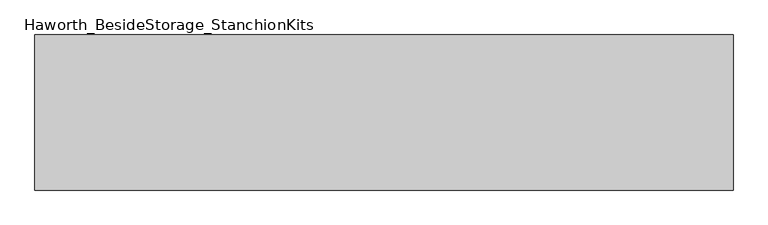
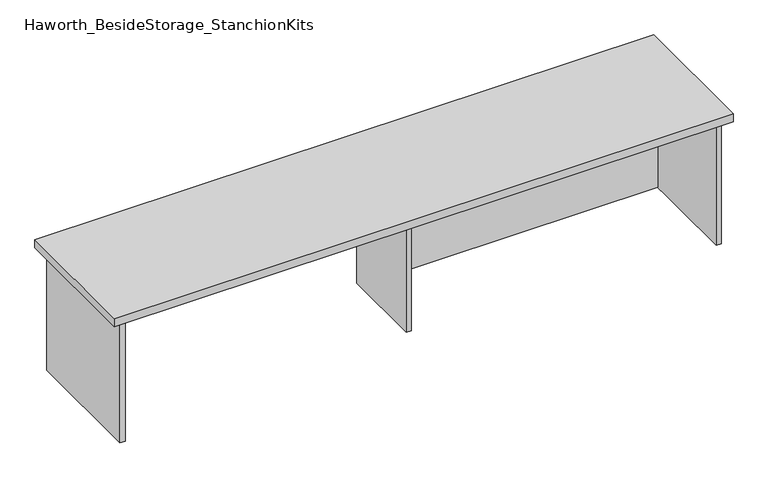
"""IFC4 building model written with IfcOpenShell, lengths in millimetres: furniture geometry, Haworth_BesideStorage_StanchionKits."""

import ifcopenshell
import ifcopenshell.guid

model = None  # the IFC model being written
_history = None  # IfcOwnerHistory: only IFC2X3 demands one
_inside = {}  # id of a spatial element -> (the spatial element, [elements in it])
_under = {}  # id of a project, library or spatial element -> (it, [spatial elements below it])
_declared = {}  # id of a project -> (the project, [libraries it declares])
_typed = {}  # id of a type object -> (the type object, [elements of that type])
_made_of = {}  # id of a material, layer set ... -> (it, [elements and type objects made of it])


def new_model(schema):
    """Start an empty IFC model of exactly this schema.

    Asked for "IFC4X3", IfcOpenShell would pick the latest addendum, in which some entities
    have other attributes; the version numbers below select the first issue.
    IFC2X3 requires an IfcOwnerHistory on every rooted entity: one is made here for all.
    """
    global model, _history
    if schema == "IFC4X3":
        model = ifcopenshell.file(schema_version=(4, 3, 0, 0))
    else:
        model = ifcopenshell.file(schema=schema)
    _inside.clear()
    _under.clear()
    _declared.clear()
    _typed.clear()
    _made_of.clear()
    _history = None
    if model.schema == "IFC2X3":
        org = make("IfcOrganization", Name="unknown")
        user = make(
            "IfcPersonAndOrganization",
            ThePerson=make("IfcPerson", FamilyName="unknown"),
            TheOrganization=org,
        )
        app = make(
            "IfcApplication",
            ApplicationDeveloper=org,
            Version="unknown",
            ApplicationFullName="unknown",
            ApplicationIdentifier="unknown",
        )
        _history = make(
            "IfcOwnerHistory",
            OwningUser=user,
            OwningApplication=app,
            ChangeAction="ADDED",
            CreationDate=0,
        )
    return model


def make(cls, **values):
    """One entity of the class cls with the attributes given. An attribute that is None is left unset."""
    return model.create_entity(
        cls, **{name: value for name, value in values.items() if value is not None}
    )


def rooted(cls, **values):
    """An entity with a GlobalId (a new one), such as an element, a storey or a relation."""
    return make(cls, GlobalId=ifcopenshell.guid.new(), OwnerHistory=_history, **values)


def si_unit(unit_type, name, prefix=None):
    """IfcSIUnit, for example si_unit("LENGTHUNIT", "METRE", prefix="MILLI")."""
    return make("IfcSIUnit", UnitType=unit_type, Prefix=prefix, Name=name)


def assignment(units):
    """IfcUnitAssignment: the units of a project."""
    return None if units is None else make("IfcUnitAssignment", Units=units)


def point(xyz):
    """IfcCartesianPoint."""
    return None if xyz is None else make("IfcCartesianPoint", Coordinates=xyz)


def direction(xyz):
    """IfcDirection."""
    return None if xyz is None else make("IfcDirection", DirectionRatios=xyz)


def frame(location, z_axis=None, x_axis=None):
    """IfcAxis2Placement3D, a coordinate frame: its origin and axes. An axis left out is left unset."""
    return make(
        "IfcAxis2Placement3D",
        Location=point(location),
        Axis=direction(z_axis),
        RefDirection=direction(x_axis),
    )


def origin():
    """The frame at (0, 0, 0) with its axes left unset."""
    return frame((0.0, 0.0, 0.0))


def place(relative_to, where):
    """IfcLocalPlacement: puts the frame where relative to a parent placement (None: the world)."""
    return make(
        "IfcLocalPlacement", PlacementRelTo=relative_to, RelativePlacement=where
    )


def context(
    kind, dimensions, precision=None, world=None, true_north=None, identifier=None
):
    """IfcGeometricRepresentationContext, for example the 3D "Model" context."""
    return make(
        "IfcGeometricRepresentationContext",
        ContextIdentifier=identifier,
        ContextType=kind,
        CoordinateSpaceDimension=dimensions,
        Precision=precision,
        WorldCoordinateSystem=world,
        TrueNorth=true_north,
    )


def project(units=None, contexts=None):
    """IfcProject with its units and contexts."""
    return rooted(
        "IfcProject",
        Name="project",
        RepresentationContexts=contexts,
        UnitsInContext=assignment(units),
    )


def spatial(cls, under=None, at=None, **own):
    """A site, building, storey or space (cls), placed at a placement, below another one or the project."""
    s = rooted(cls, ObjectPlacement=at, **own)
    if under is not None:
        _under.setdefault(under.id(), (under, []))[1].append(s)
    return s


def polyline(points):
    """IfcPolyline through the points."""
    return make("IfcPolyline", Points=[point(p) for p in points])


def outline(outer, holes=None, kind="AREA"):
    """IfcArbitraryClosedProfileDef: a profile drawn as a closed curve; with holes, ...WithVoids."""
    if holes is None:
        return make("IfcArbitraryClosedProfileDef", ProfileType=kind, OuterCurve=outer)
    return make(
        "IfcArbitraryProfileDefWithVoids",
        ProfileType=kind,
        OuterCurve=outer,
        InnerCurves=holes,
    )


def extrude(swept, where, along, depth):
    """IfcExtrudedAreaSolid: the profile swept, set in the frame where, extruded along a direction by depth."""
    return make(
        "IfcExtrudedAreaSolid",
        SweptArea=swept,
        Position=where,
        ExtrudedDirection=direction(along),
        Depth=depth,
    )


def shape(context_of_items, identifier, shape_type, items):
    """IfcShapeRepresentation: the items that make up one representation, for example the "Body"."""
    return make(
        "IfcShapeRepresentation",
        ContextOfItems=context_of_items,
        RepresentationIdentifier=identifier,
        RepresentationType=shape_type,
        Items=items,
    )


def source(mapping_origin, context_of_items, identifier, shape_type, items):
    """IfcRepresentationMap: a shape defined once, which mapped items show again and again."""
    return make(
        "IfcRepresentationMap",
        MappingOrigin=mapping_origin,
        MappedRepresentation=shape(context_of_items, identifier, shape_type, items),
    )


def transform(
    local_origin,
    x_axis=None,
    y_axis=None,
    z_axis=None,
    scale=None,
    scale2=None,
    scale3=None,
    uniform=True,
):
    """IfcCartesianTransformationOperator3D, or its non-uniform kind. x_axis, y_axis, z_axis: its Axis1, 2, 3."""
    if uniform:
        return make(
            "IfcCartesianTransformationOperator3D",
            Axis1=direction(x_axis),
            Axis2=direction(y_axis),
            LocalOrigin=point(local_origin),
            Scale=scale,
            Axis3=direction(z_axis),
        )
    return make(
        "IfcCartesianTransformationOperator3DnonUniform",
        Axis1=direction(x_axis),
        Axis2=direction(y_axis),
        LocalOrigin=point(local_origin),
        Scale=scale,
        Axis3=direction(z_axis),
        Scale2=scale2,
        Scale3=scale3,
    )


def mapped(mapping_source, mapping_target):
    """IfcMappedItem: shows the shape of a source again, moved by a transform."""
    return make(
        "IfcMappedItem", MappingSource=mapping_source, MappingTarget=mapping_target
    )


def made_of(thing, what):
    """Note that an element or type object is made of a material, layer set ...; save() writes the relation."""
    if what is not None:
        _made_of.setdefault(what.id(), (what, []))[1].append(thing)
    return thing


def element(
    cls,
    number,
    at=None,
    inside=None,
    cuts=None,
    type_object=None,
    material=None,
    context=None,
    identifier="Body",
    shape_type=None,
    held_by="IfcProductDefinitionShape",
    body=None,
    shapes=None,
    **own,
):
    """One element of the class cls, such as IfcWall. Its Tag is "e" and its number.

    at: its placement. inside: the storey or other place that contains it. cuts: it is an
    opening in that element (IfcRelVoidsElement). A single representation is given by context,
    identifier, shape_type and body (its items); several are given by shapes. held_by: the class
    of the entity that holds the representations. save() writes the other relations.
    """
    e = rooted(cls, Tag="e%d" % number, ObjectPlacement=at, **own)
    if body is not None:
        shapes = [shape(context, identifier, shape_type, body)]
    if shapes is not None:
        e.Representation = make(held_by, Representations=shapes)
    if inside is not None:
        _inside.setdefault(inside.id(), (inside, []))[1].append(e)
    if cuts is not None:
        rooted(
            "IfcRelVoidsElement", RelatingBuildingElement=cuts, RelatedOpeningElement=e
        )
    if type_object is not None:
        _typed.setdefault(type_object.id(), (type_object, []))[1].append(e)
    return made_of(e, material)


def aggregate(whole, parts):
    """IfcRelAggregates: a whole, such as a stair, and the parts it consists of."""
    return rooted("IfcRelAggregates", RelatingObject=whole, RelatedObjects=parts)


def save(model, path):
    """Write the relations noted so far, then the file.

    IfcRelAggregates (storeys below a building ...), IfcRelContainedInSpatialStructure (elements
    in a storey), IfcRelDefinesByType, IfcRelAssociatesMaterial and IfcRelDeclares: one each for
    every whole, place, type object, material and project.
    """
    for whole, parts in _under.values():
        aggregate(whole, parts)
    for where, things in _inside.values():
        rooted(
            "IfcRelContainedInSpatialStructure",
            RelatedElements=things,
            RelatingStructure=where,
        )
    for kind, things in _typed.values():
        rooted("IfcRelDefinesByType", RelatedObjects=things, RelatingType=kind)
    for what, things in _made_of.values():
        rooted("IfcRelAssociatesMaterial", RelatedObjects=things, RelatingMaterial=what)
    for by, libraries in _declared.values():
        rooted("IfcRelDeclares", RelatingContext=by, RelatedDefinitions=libraries)
    model.write(path)


def haworth_besidestorage_stanchionkits_c46efa45(model_context):
    return source(origin(), model_context, "Body", "SweptSolid", [
        extrude(outline(polyline([(1076.325, 0.0), (1076.325, -406.4), (-752.475, -406.4), (-752.475, 0.0), (1076.325, 0.0)])), frame((0.0, 0.0, 812.8), z_axis=(0.0, 0.0, 1.0), x_axis=(1.0, 0.0, 0.0)), (0.0, 0.0, 1.0), 25.4),
        extrude(outline(polyline([(169.8625, -76.2), (1035.05, -76.2), (1035.05, -92.075), (169.8625, -92.075), (169.8625, -76.2)])), frame((0.0, 0.0, 431.8), z_axis=(0.0, 0.0, 1.0), x_axis=(1.0, 0.0, 0.0)), (0.0, 0.0, 1.0), 381.0),
        extrude(outline(polyline([(169.8625, -330.2), (153.9875, -330.2), (153.9875, -76.2), (169.8625, -76.2), (169.8625, -330.2)])), frame((0.0, 0.0, 431.8), z_axis=(0.0, 0.0, 1.0), x_axis=(1.0, 0.0, 0.0)), (0.0, 0.0, 1.0), 381.0),
        extrude(outline(polyline([(1050.925, -390.525), (1035.05, -390.525), (1035.05, -15.875), (1050.925, -15.875), (1050.925, -390.525)])), frame((0.0, 0.0, 431.8), z_axis=(0.0, 0.0, 1.0), x_axis=(1.0, 0.0, 0.0)), (0.0, 0.0, 1.0), 381.0),
        extrude(outline(polyline([(-711.2, -390.525), (-727.075, -390.525), (-727.075, -15.875), (-711.2, -15.875), (-711.2, -390.525)])), frame((0.0, 0.0, 431.8), z_axis=(0.0, 0.0, 1.0), x_axis=(1.0, 0.0, 0.0)), (0.0, 0.0, 1.0), 381.0),
    ])


if __name__ == "__main__":
    model = new_model("IFC4")
    model_context = context("Model", 3, world=origin())
    ifc_project = project(units=[si_unit("LENGTHUNIT", "METRE", prefix="MILLI")], contexts=[model_context])
    site = spatial("IfcSite", under=ifc_project)
    building = spatial("IfcBuilding", under=site)
    placement = place(None, origin())
    haworth_besidestorage_stanchionkits_shape = haworth_besidestorage_stanchionkits_c46efa45(model_context)
    element("IfcFurniture", 1, ObjectType="Haworth_BesideStorage_StanchionKits", at=placement, inside=building, context=model_context, shape_type="MappedRepresentation", body=[
        mapped(haworth_besidestorage_stanchionkits_shape, transform((0.0, 0.0, 0.0), x_axis=(1.0, 0.0, 0.0), y_axis=(0.0, 1.0, 0.0), z_axis=(0.0, 0.0, 1.0))),
    ])
    save(model, "model.ifc")
